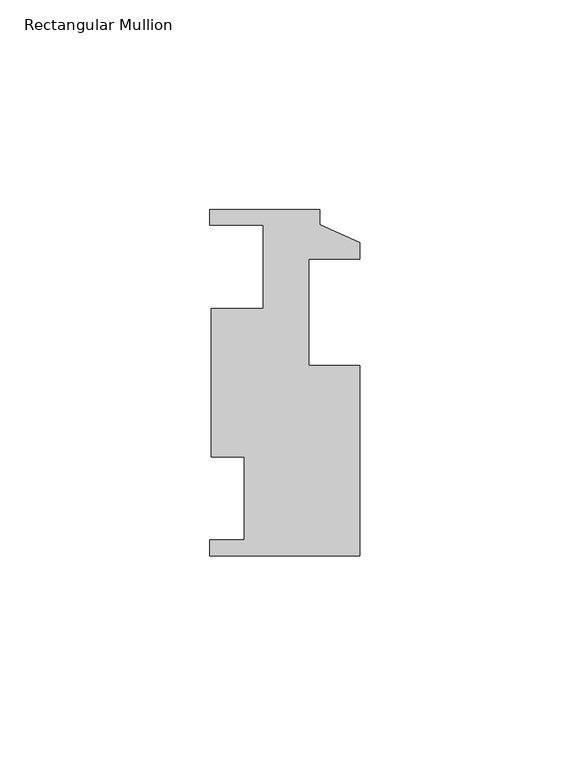
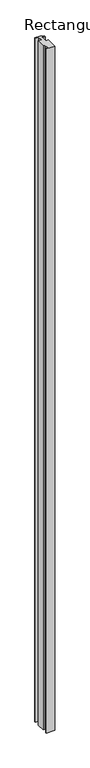
"""IFC4 building model written with IfcOpenShell, lengths in millimetres: member geometry, Rectangular Mullion."""

from ifc_helpers import new_model, si_unit, frame, origin, place, context, project, spatial, polyline, outline, extrude, source, transform, mapped, element, save


def rectangular_mullion_c670c2f7(model_context):
    return source(origin(), model_context, "Body", "SweptSolid", [
        extrude(outline(polyline([(-35.7632, -38.9635979), (-35.7632, -35.2297979), (-27.5156414, -35.2297979), (-27.5156414, -15.3923979), (-35.4175073, -15.3923979), (-35.4175073, 20.0152021), (-23.0207874, 20.0152021), (-23.0207874, 39.8526021), (-35.7632, 39.8526021), (-35.7632, 43.5864021), (-9.525, 43.5864021), (-9.525, 39.9796021), (0.0, 35.6616021), (0.0, 31.7500021), (-12.2174, 31.7500021), (-12.2174, 6.3500021), (0.0, 6.3500021), (0.0, -38.9635979), (-35.7632, -38.9635979)])), frame((0.0, 0.0, -3048.0), z_axis=(0.0, 0.0, 1.0), x_axis=(1.0, 0.0, 0.0)), (0.0, 0.0, 1.0), 3048.0),
    ])


if __name__ == "__main__":
    model = new_model("IFC4")
    model_context = context("Model", 3, world=origin())
    ifc_project = project(units=[si_unit("LENGTHUNIT", "METRE", prefix="MILLI")], contexts=[model_context])
    site = spatial("IfcSite", under=ifc_project)
    building = spatial("IfcBuilding", under=site)
    placement = place(None, origin())
    rectangular_mullion_shape = rectangular_mullion_c670c2f7(model_context)
    element("IfcMember", 1, ObjectType="Rectangular Mullion", at=placement, inside=building, context=model_context, shape_type="MappedRepresentation", body=[
        mapped(rectangular_mullion_shape, transform((0.0, 0.0, 0.0), x_axis=(1.0, 0.0, 0.0), y_axis=(0.0, 1.0, 0.0), z_axis=(0.0, 0.0, 1.0))),
    ])
    save(model, "model.ifc")
